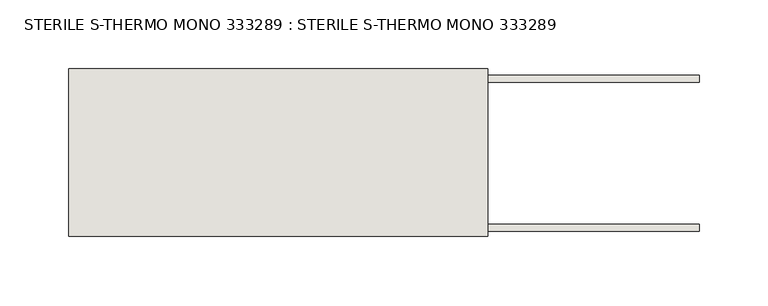
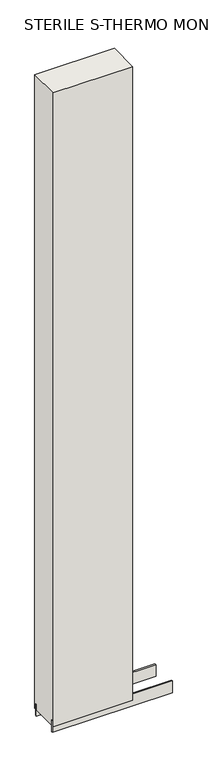
"""IFC4 building model written with IfcOpenShell, lengths in millimetres: wall geometry, STERILE S-THERMO MONO 333289 : STERILE S-THERMO MONO 333289."""

from ifc_helpers import new_model, si_unit, frame, origin, place, context, project, spatial, polyline, outline, extrude, source, transform, mapped, element, save


def sterile_s_thermo_mono_333289_sterile_s_thermo_mono_333289_f3966274(model_context):
    return source(origin(), model_context, "Body", "SweptSolid", [
        extrude(outline(polyline([(86119.0051048, -44119.5873004), (86121.5451048, -44119.5873004), (86121.5451048, -44122.1273004), (86119.0051048, -44122.1273004), (86119.0051048, -44119.5873004)])), frame((0.0, 0.0, 4419.6), z_axis=(0.0, 0.0, 1.0), x_axis=(1.0, 0.0, 0.0)), (0.0, 0.0, 1.0), 2.54),
        extrude(outline(polyline([(85816.7463494, -44172.5564604), (86275.5462446, -44172.5564604), (86275.5462446, -44177.6352412), (85816.7463494, -44177.6352412), (85816.7463494, -44172.5564604)])), frame((0.0, 0.0, 4418.6602), z_axis=(0.0, 0.0, 1.0), x_axis=(1.0, 0.0, 0.0)), (0.0, 0.0, 1.0), 47.625),
        extrude(outline(polyline([(85816.7463494, -44172.5564604), (86275.5462446, -44172.5564604), (86275.5462446, -44177.6352412), (85816.7463494, -44177.6352412), (85816.7463494, -44172.5564604)])), frame((0.0, 0.0, 4418.6602), z_axis=(0.0, 0.0, 1.0), x_axis=(1.0, 0.0, 0.0)), (0.0, 0.0, 1.0), 47.625),
        extrude(outline(polyline([(86275.5462446, -44069.1767332), (85816.7463494, -44069.1767332), (85816.7463494, -44064.0979778), (86275.5462446, -44064.0979778), (86275.5462446, -44069.1767332)])), frame((0.0, 0.0, 4418.6602), z_axis=(0.0, 0.0, 1.0), x_axis=(1.0, 0.0, 0.0)), (0.0, 0.0, 1.0), 47.625),
        extrude(outline(polyline([(86275.5462446, -44069.1767332), (85816.7463494, -44069.1767332), (85816.7463494, -44064.0979778), (86275.5462446, -44064.0979778), (86275.5462446, -44069.1767332)])), frame((0.0, 0.0, 4418.6602), z_axis=(0.0, 0.0, 1.0), x_axis=(1.0, 0.0, 0.0)), (0.0, 0.0, 1.0), 47.625),
        extrude(outline(polyline([(85816.7463494, -44181.8272318), (85816.7463494, -44059.9059872), (86121.5463494, -44059.9059872), (86121.5463494, -44181.8272318), (85816.7463494, -44181.8272318)])), frame((0.0, 0.0, 4445.0), z_axis=(0.0, 0.0, 1.0), x_axis=(1.0, 0.0, 0.0)), (0.0, 0.0, 1.0), 2562.4536762),
    ])


if __name__ == "__main__":
    model = new_model("IFC4")
    model_context = context("Model", 3, world=origin())
    ifc_project = project(units=[si_unit("LENGTHUNIT", "METRE", prefix="MILLI")], contexts=[model_context])
    site = spatial("IfcSite", under=ifc_project)
    building = spatial("IfcBuilding", under=site)
    placement = place(None, origin())
    sterile_s_thermo_mono_333289_sterile_s_thermo_mono_333289_shape = sterile_s_thermo_mono_333289_sterile_s_thermo_mono_333289_f3966274(model_context)
    element("IfcWall", 1, ObjectType="STERILE S-THERMO MONO 333289 : STERILE S-THERMO MONO 333289", at=placement, inside=building, context=model_context, shape_type="MappedRepresentation", body=[
        mapped(sterile_s_thermo_mono_333289_sterile_s_thermo_mono_333289_shape, transform((0.0, 0.0, 0.0), x_axis=(1.0, 0.0, 0.0), y_axis=(0.0, 1.0, 0.0), z_axis=(0.0, 0.0, 1.0))),
    ])
    save(model, "model.ifc")
